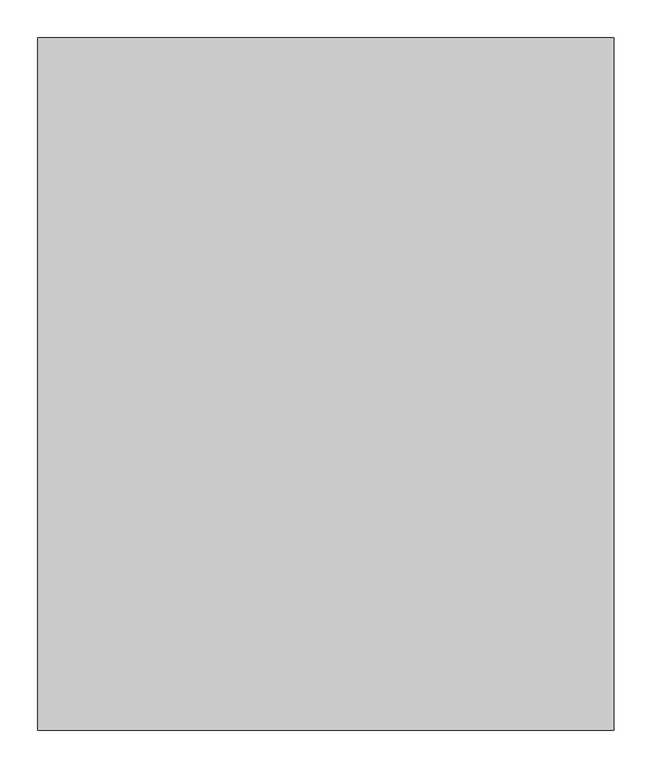
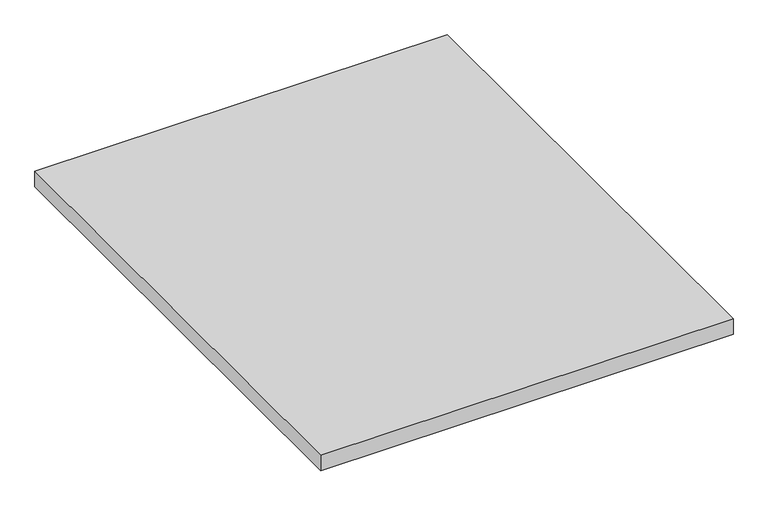
"""IFC4 building model written with IfcOpenShell, lengths in millimetres: furniture geometry."""

import ifcopenshell
import ifcopenshell.guid

model = None  # the IFC model being written
_history = None  # IfcOwnerHistory: only IFC2X3 demands one
_inside = {}  # id of a spatial element -> (the spatial element, [elements in it])
_under = {}  # id of a project, library or spatial element -> (it, [spatial elements below it])
_declared = {}  # id of a project -> (the project, [libraries it declares])
_typed = {}  # id of a type object -> (the type object, [elements of that type])
_made_of = {}  # id of a material, layer set ... -> (it, [elements and type objects made of it])


def new_model(schema):
    """Start an empty IFC model of exactly this schema.

    Asked for "IFC4X3", IfcOpenShell would pick the latest addendum, in which some entities
    have other attributes; the version numbers below select the first issue.
    IFC2X3 requires an IfcOwnerHistory on every rooted entity: one is made here for all.
    """
    global model, _history
    if schema == "IFC4X3":
        model = ifcopenshell.file(schema_version=(4, 3, 0, 0))
    else:
        model = ifcopenshell.file(schema=schema)
    _inside.clear()
    _under.clear()
    _declared.clear()
    _typed.clear()
    _made_of.clear()
    _history = None
    if model.schema == "IFC2X3":
        org = make("IfcOrganization", Name="unknown")
        user = make(
            "IfcPersonAndOrganization",
            ThePerson=make("IfcPerson", FamilyName="unknown"),
            TheOrganization=org,
        )
        app = make(
            "IfcApplication",
            ApplicationDeveloper=org,
            Version="unknown",
            ApplicationFullName="unknown",
            ApplicationIdentifier="unknown",
        )
        _history = make(
            "IfcOwnerHistory",
            OwningUser=user,
            OwningApplication=app,
            ChangeAction="ADDED",
            CreationDate=0,
        )
    return model


def make(cls, **values):
    """One entity of the class cls with the attributes given. An attribute that is None is left unset."""
    return model.create_entity(
        cls, **{name: value for name, value in values.items() if value is not None}
    )


def rooted(cls, **values):
    """An entity with a GlobalId (a new one), such as an element, a storey or a relation."""
    return make(cls, GlobalId=ifcopenshell.guid.new(), OwnerHistory=_history, **values)


def si_unit(unit_type, name, prefix=None):
    """IfcSIUnit, for example si_unit("LENGTHUNIT", "METRE", prefix="MILLI")."""
    return make("IfcSIUnit", UnitType=unit_type, Prefix=prefix, Name=name)


def assignment(units):
    """IfcUnitAssignment: the units of a project."""
    return None if units is None else make("IfcUnitAssignment", Units=units)


def point(xyz):
    """IfcCartesianPoint."""
    return None if xyz is None else make("IfcCartesianPoint", Coordinates=xyz)


def direction(xyz):
    """IfcDirection."""
    return None if xyz is None else make("IfcDirection", DirectionRatios=xyz)


def frame(location, z_axis=None, x_axis=None):
    """IfcAxis2Placement3D, a coordinate frame: its origin and axes. An axis left out is left unset."""
    return make(
        "IfcAxis2Placement3D",
        Location=point(location),
        Axis=direction(z_axis),
        RefDirection=direction(x_axis),
    )


def origin():
    """The frame at (0, 0, 0) with its axes left unset."""
    return frame((0.0, 0.0, 0.0))


def place(relative_to, where):
    """IfcLocalPlacement: puts the frame where relative to a parent placement (None: the world)."""
    return make(
        "IfcLocalPlacement", PlacementRelTo=relative_to, RelativePlacement=where
    )


def context(
    kind, dimensions, precision=None, world=None, true_north=None, identifier=None
):
    """IfcGeometricRepresentationContext, for example the 3D "Model" context."""
    return make(
        "IfcGeometricRepresentationContext",
        ContextIdentifier=identifier,
        ContextType=kind,
        CoordinateSpaceDimension=dimensions,
        Precision=precision,
        WorldCoordinateSystem=world,
        TrueNorth=true_north,
    )


def project(units=None, contexts=None):
    """IfcProject with its units and contexts."""
    return rooted(
        "IfcProject",
        Name="project",
        RepresentationContexts=contexts,
        UnitsInContext=assignment(units),
    )


def spatial(cls, under=None, at=None, **own):
    """A site, building, storey or space (cls), placed at a placement, below another one or the project."""
    s = rooted(cls, ObjectPlacement=at, **own)
    if under is not None:
        _under.setdefault(under.id(), (under, []))[1].append(s)
    return s


def polyline(points):
    """IfcPolyline through the points."""
    return make("IfcPolyline", Points=[point(p) for p in points])


def outline(outer, holes=None, kind="AREA"):
    """IfcArbitraryClosedProfileDef: a profile drawn as a closed curve; with holes, ...WithVoids."""
    if holes is None:
        return make("IfcArbitraryClosedProfileDef", ProfileType=kind, OuterCurve=outer)
    return make(
        "IfcArbitraryProfileDefWithVoids",
        ProfileType=kind,
        OuterCurve=outer,
        InnerCurves=holes,
    )


def extrude(swept, where, along, depth):
    """IfcExtrudedAreaSolid: the profile swept, set in the frame where, extruded along a direction by depth."""
    return make(
        "IfcExtrudedAreaSolid",
        SweptArea=swept,
        Position=where,
        ExtrudedDirection=direction(along),
        Depth=depth,
    )


def shape(context_of_items, identifier, shape_type, items):
    """IfcShapeRepresentation: the items that make up one representation, for example the "Body"."""
    return make(
        "IfcShapeRepresentation",
        ContextOfItems=context_of_items,
        RepresentationIdentifier=identifier,
        RepresentationType=shape_type,
        Items=items,
    )


def source(mapping_origin, context_of_items, identifier, shape_type, items):
    """IfcRepresentationMap: a shape defined once, which mapped items show again and again."""
    return make(
        "IfcRepresentationMap",
        MappingOrigin=mapping_origin,
        MappedRepresentation=shape(context_of_items, identifier, shape_type, items),
    )


def transform(
    local_origin,
    x_axis=None,
    y_axis=None,
    z_axis=None,
    scale=None,
    scale2=None,
    scale3=None,
    uniform=True,
):
    """IfcCartesianTransformationOperator3D, or its non-uniform kind. x_axis, y_axis, z_axis: its Axis1, 2, 3."""
    if uniform:
        return make(
            "IfcCartesianTransformationOperator3D",
            Axis1=direction(x_axis),
            Axis2=direction(y_axis),
            LocalOrigin=point(local_origin),
            Scale=scale,
            Axis3=direction(z_axis),
        )
    return make(
        "IfcCartesianTransformationOperator3DnonUniform",
        Axis1=direction(x_axis),
        Axis2=direction(y_axis),
        LocalOrigin=point(local_origin),
        Scale=scale,
        Axis3=direction(z_axis),
        Scale2=scale2,
        Scale3=scale3,
    )


def mapped(mapping_source, mapping_target):
    """IfcMappedItem: shows the shape of a source again, moved by a transform."""
    return make(
        "IfcMappedItem", MappingSource=mapping_source, MappingTarget=mapping_target
    )


def made_of(thing, what):
    """Note that an element or type object is made of a material, layer set ...; save() writes the relation."""
    if what is not None:
        _made_of.setdefault(what.id(), (what, []))[1].append(thing)
    return thing


def element(
    cls,
    number,
    at=None,
    inside=None,
    cuts=None,
    type_object=None,
    material=None,
    context=None,
    identifier="Body",
    shape_type=None,
    held_by="IfcProductDefinitionShape",
    body=None,
    shapes=None,
    **own,
):
    """One element of the class cls, such as IfcWall. Its Tag is "e" and its number.

    at: its placement. inside: the storey or other place that contains it. cuts: it is an
    opening in that element (IfcRelVoidsElement). A single representation is given by context,
    identifier, shape_type and body (its items); several are given by shapes. held_by: the class
    of the entity that holds the representations. save() writes the other relations.
    """
    e = rooted(cls, Tag="e%d" % number, ObjectPlacement=at, **own)
    if body is not None:
        shapes = [shape(context, identifier, shape_type, body)]
    if shapes is not None:
        e.Representation = make(held_by, Representations=shapes)
    if inside is not None:
        _inside.setdefault(inside.id(), (inside, []))[1].append(e)
    if cuts is not None:
        rooted(
            "IfcRelVoidsElement", RelatingBuildingElement=cuts, RelatedOpeningElement=e
        )
    if type_object is not None:
        _typed.setdefault(type_object.id(), (type_object, []))[1].append(e)
    return made_of(e, material)


def aggregate(whole, parts):
    """IfcRelAggregates: a whole, such as a stair, and the parts it consists of."""
    return rooted("IfcRelAggregates", RelatingObject=whole, RelatedObjects=parts)


def save(model, path):
    """Write the relations noted so far, then the file.

    IfcRelAggregates (storeys below a building ...), IfcRelContainedInSpatialStructure (elements
    in a storey), IfcRelDefinesByType, IfcRelAssociatesMaterial and IfcRelDeclares: one each for
    every whole, place, type object, material and project.
    """
    for whole, parts in _under.values():
        aggregate(whole, parts)
    for where, things in _inside.values():
        rooted(
            "IfcRelContainedInSpatialStructure",
            RelatedElements=things,
            RelatingStructure=where,
        )
    for kind, things in _typed.values():
        rooted("IfcRelDefinesByType", RelatedObjects=things, RelatingType=kind)
    for what, things in _made_of.values():
        rooted("IfcRelAssociatesMaterial", RelatedObjects=things, RelatingMaterial=what)
    for by, libraries in _declared.values():
        rooted("IfcRelDeclares", RelatingContext=by, RelatedDefinitions=libraries)
    model.write(path)


def furniture_b8f967be(model_context):
    return source(origin(), model_context, "Body", "SweptSolid", [
        extrude(outline(polyline([(-1.524, 833.501), (-1.524, -77.851), (-760.476, -77.851), (-760.476, 833.501), (-1.524, 833.501)])), frame((0.0, 0.0, 935.609), z_axis=(0.0, 0.0, 1.0), x_axis=(1.0, 0.0, 0.0)), (0.0, 0.0, 1.0), 29.591),
    ])


if __name__ == "__main__":
    model = new_model("IFC4")
    model_context = context("Model", 3, world=origin())
    ifc_project = project(units=[si_unit("LENGTHUNIT", "METRE", prefix="MILLI")], contexts=[model_context])
    site = spatial("IfcSite", under=ifc_project)
    building = spatial("IfcBuilding", under=site)
    placement = place(None, origin())
    furniture_shape = furniture_b8f967be(model_context)
    element("IfcFurniture", 1, at=placement, inside=building, context=model_context, shape_type="MappedRepresentation", body=[
        mapped(furniture_shape, transform((0.0, 0.0, 0.0), x_axis=(1.0, 0.0, 0.0), y_axis=(0.0, 1.0, 0.0), z_axis=(0.0, 0.0, 1.0))),
    ])
    save(model, "model.ifc")
